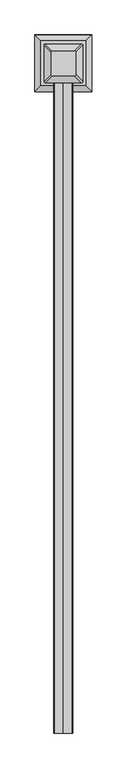
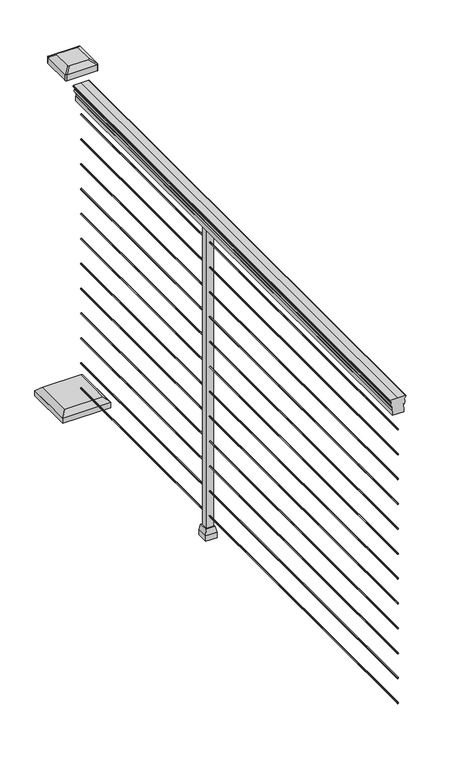
"""IFC4 building model written with IfcOpenShell, lengths in millimetres: railing geometry."""

from ifc_helpers import new_model, si_unit, point, frame, frame_2d, origin, origin_with_axes, place, context, project, spatial, polyline, circle_curve, trimmed, segment, composite_curve, outline, extrude, faceted_brep, source, transform, mapped, element, save
from ifc_brep_helpers import plane_surface, cylinder_surface, revolved_surface, extruded_surface, advanced_brep


def railing_d1816a97(model_context):
    return source(origin(), model_context, "Body", "SolidModel", [
        advanced_brep(
        [(33470.3652836, 27963.903577, 938.4043297), (33472.9391124, 27963.903577, 938.4043297), (33472.9391124, 27963.903577, 927.747013), (33471.9231124, 27963.903577, 926.731013), (33471.9231124, 27963.903577, 914.4), (33503.6731124, 27963.903577, 914.4), (33503.6731124, 27963.903577, 926.8888283), (33502.6571124, 27963.903577, 927.9048283), (33502.6571124, 27963.903577, 938.4043297), (33505.2309411, 27963.903577, 938.4043297), (33505.2309411, 27963.903577, 940.292412), (33506.3611274, 27963.903577, 941.8546695), (33506.3611274, 27963.903577, 949.0726458), (33505.711871, 27963.903577, 951.5060812), (33508.211871, 27963.903577, 955.8362083), (33509.6212135, 27963.903577, 957.5157972), (33510.0231125, 27963.903577, 958.6205318), (33510.0231124, 27963.903577, 959.9608158), (33508.4696651, 27963.903577, 961.514263), (33487.7981124, 27963.903577, 961.514263), (33467.1265596, 27963.903577, 961.514263), (33465.5731124, 27963.903577, 959.9608158), (33465.5731124, 27963.903577, 958.6205318), (33465.9750113, 27963.903577, 957.5157972), (33467.3843538, 27963.903577, 955.8362083), (33469.8843538, 27963.903577, 951.5060812), (33469.2350973, 27963.903577, 949.0726458), (33469.2350973, 27963.903577, 941.8546695), (33470.3652836, 27963.903577, 940.292412), (33470.3652836, 29487.903577, 938.4043297), (33470.3652836, 29487.903577, 940.292412), (33469.2350973, 29487.903577, 941.8546695), (33469.2350973, 29487.903577, 949.0726458), (33469.8843538, 29487.903577, 951.5060812), (33467.3843538, 29487.903577, 955.8362083), (33465.9750113, 29487.903577, 957.5157972), (33465.5731123, 29487.903577, 958.6205318), (33465.5731124, 29487.903577, 959.9608158), (33467.1265596, 29487.903577, 961.514263), (33487.7981124, 29487.903577, 961.514263), (33508.4696651, 29487.903577, 961.514263), (33510.0231124, 29487.903577, 959.9608158), (33510.0231124, 29487.903577, 958.6205318), (33509.6212135, 29487.903577, 957.5157972), (33508.211871, 29487.903577, 955.8362083), (33505.711871, 29487.903577, 951.5060812), (33506.3611274, 29487.903577, 949.0726458), (33506.3611274, 29487.903577, 941.8546695), (33505.2309411, 29487.903577, 940.292412), (33505.2309411, 29487.903577, 938.4043297), (33502.6571124, 29487.903577, 938.4043297), (33502.6571124, 29487.903577, 927.9048283), (33503.6731124, 29487.903577, 926.8888283), (33503.6731124, 29487.903577, 914.4), (33471.9231124, 29487.903577, 914.4), (33471.9231124, 29487.903577, 926.731013), (33472.9391124, 29487.903577, 927.747013), (33472.9391124, 29487.903577, 938.4043297)],
        [
            (0, 1, circle_curve(frame((33471.652198, 27963.903577, 938.4043297), z_axis=(0.0, -1.0, 0.0), x_axis=(1.0, 0.0, 0.0)), 1.2869144)),
            (1, 2),
            (2, 3),
            (3, 4),
            (4, 5),
            (5, 6),
            (6, 7),
            (7, 8),
            (8, 9, circle_curve(frame((33503.9440268, 27963.903577, 938.4043297), z_axis=(0.0, -1.0, 0.0), x_axis=(-1.0, 0.0, 0.0)), 1.2869144)),
            (9, 10),
            (10, 11, circle_curve(frame((33498.9161878, 27963.903577, 946.0506383), z_axis=(0.0, -1.0, 0.0), x_axis=(-1.0, 0.0, 0.0)), 8.545951)),
            (11, 12, circle_curve(frame((33499.3532508, 27963.903577, 945.4636577), z_axis=(0.0, -1.0, 0.0), x_axis=(-1.0, 0.0, 0.0)), 7.882584)),
            (12, 13, circle_curve(frame((33509.8665749, 27963.903577, 951.3112527), z_axis=(0.0, 1.0, 0.0), x_axis=(-1.0, 0.0, 0.0)), 4.1592695)),
            (13, 14, circle_curve(frame((33511.1538815, 27963.903577, 951.2508864), z_axis=(0.0, 1.0, 0.0), x_axis=(-1.0, 0.0, 0.0)), 5.4479907)),
            (14, 15, circle_curve(frame((33509.920723, 27963.903577, 955.833395), z_axis=(0.0, 1.0, 0.0), x_axis=(-1.0, 0.0, 0.0)), 1.7088543)),
            (15, 16, circle_curve(frame((33508.3038229, 27963.903577, 958.6205318), z_axis=(0.0, -1.0, 0.0), x_axis=(-1.0, 0.0, 0.0)), 1.7192895)),
            (16, 17),
            (17, 18, circle_curve(frame((33508.4696651, 27963.903577, 959.9608158), z_axis=(0.0, -1.0, 0.0), x_axis=(-1.0, 0.0, 0.0)), 1.5534472)),
            (18, 19),
            (19, 20),
            (20, 21, circle_curve(frame((33467.1265596, 27963.903577, 959.9608158), z_axis=(0.0, -1.0, 0.0), x_axis=(1.0, 0.0, 0.0)), 1.5534472)),
            (21, 22),
            (22, 23, circle_curve(frame((33467.2924018, 27963.903577, 958.6205318), z_axis=(0.0, -1.0, 0.0), x_axis=(1.0, 0.0, 0.0)), 1.7192895)),
            (23, 24, circle_curve(frame((33465.6755017, 27963.903577, 955.833395), z_axis=(0.0, 1.0, 0.0), x_axis=(1.0, 0.0, 0.0)), 1.7088543)),
            (24, 25, circle_curve(frame((33464.4423433, 27963.903577, 951.2508864), z_axis=(0.0, 1.0, 0.0), x_axis=(1.0, 0.0, 0.0)), 5.4479907)),
            (25, 26, circle_curve(frame((33465.7296498, 27963.903577, 951.3112527), z_axis=(0.0, 1.0, 0.0), x_axis=(1.0, 0.0, 0.0)), 4.1592695)),
            (26, 27, circle_curve(frame((33476.242974, 27963.903577, 945.4636577), z_axis=(0.0, -1.0, 0.0), x_axis=(1.0, 0.0, 0.0)), 7.882584)),
            (27, 28, circle_curve(frame((33476.6800369, 27963.903577, 946.0506383), z_axis=(0.0, -1.0, 0.0), x_axis=(1.0, 0.0, 0.0)), 8.545951)),
            (28, 0),
            (29, 30),
            (30, 31, circle_curve(frame((33476.6800369, 29487.903577, 946.0506383), z_axis=(0.0, 1.0, 0.0), x_axis=(1.0, 0.0, 0.0)), 8.545951)),
            (31, 32, circle_curve(frame((33476.242974, 29487.903577, 945.4636577), z_axis=(0.0, 1.0, 0.0), x_axis=(1.0, 0.0, 0.0)), 7.882584)),
            (32, 33, circle_curve(frame((33465.7296498, 29487.903577, 951.3112527), z_axis=(0.0, -1.0, 0.0), x_axis=(1.0, 0.0, 0.0)), 4.1592695)),
            (33, 34, circle_curve(frame((33464.4423433, 29487.903577, 951.2508864), z_axis=(0.0, -1.0, 0.0), x_axis=(1.0, 0.0, 0.0)), 5.4479907)),
            (34, 35, circle_curve(frame((33465.6755017, 29487.903577, 955.833395), z_axis=(0.0, -1.0, 0.0), x_axis=(1.0, 0.0, 0.0)), 1.7088543)),
            (35, 36, circle_curve(frame((33467.2924018, 29487.903577, 958.6205318), z_axis=(0.0, 1.0, 0.0), x_axis=(1.0, 0.0, 0.0)), 1.7192895)),
            (36, 37),
            (37, 38, circle_curve(frame((33467.1265596, 29487.903577, 959.9608158), z_axis=(0.0, 1.0, 0.0), x_axis=(1.0, 0.0, 0.0)), 1.5534472)),
            (38, 39),
            (39, 40),
            (40, 41, circle_curve(frame((33508.4696651, 29487.903577, 959.9608158), z_axis=(0.0, 1.0, 0.0), x_axis=(-1.0, 0.0, 0.0)), 1.5534472)),
            (41, 42),
            (42, 43, circle_curve(frame((33508.3038229, 29487.903577, 958.6205318), z_axis=(0.0, 1.0, 0.0), x_axis=(-1.0, 0.0, 0.0)), 1.7192895)),
            (43, 44, circle_curve(frame((33509.920723, 29487.903577, 955.833395), z_axis=(0.0, -1.0, 0.0), x_axis=(-1.0, 0.0, 0.0)), 1.7088543)),
            (44, 45, circle_curve(frame((33511.1538815, 29487.903577, 951.2508864), z_axis=(0.0, -1.0, 0.0), x_axis=(-1.0, 0.0, 0.0)), 5.4479907)),
            (45, 46, circle_curve(frame((33509.8665749, 29487.903577, 951.3112527), z_axis=(0.0, -1.0, 0.0), x_axis=(-1.0, 0.0, 0.0)), 4.1592695)),
            (46, 47, circle_curve(frame((33499.3532508, 29487.903577, 945.4636577), z_axis=(0.0, 1.0, 0.0), x_axis=(-1.0, 0.0, 0.0)), 7.882584)),
            (47, 48, circle_curve(frame((33498.9161878, 29487.903577, 946.0506383), z_axis=(0.0, 1.0, 0.0), x_axis=(-1.0, 0.0, 0.0)), 8.545951)),
            (48, 49),
            (49, 50, circle_curve(frame((33503.9440268, 29487.903577, 938.4043297), z_axis=(0.0, 1.0, 0.0), x_axis=(-1.0, 0.0, 0.0)), 1.2869144)),
            (50, 51),
            (51, 52),
            (52, 53),
            (53, 54),
            (54, 55),
            (55, 56),
            (56, 57),
            (57, 29, circle_curve(frame((33471.652198, 29487.903577, 938.4043297), z_axis=(0.0, 1.0, 0.0), x_axis=(1.0, 0.0, 0.0)), 1.2869144)),
            (0, 29),
            (57, 1),
            (56, 2),
            (55, 3),
            (54, 4),
            (53, 5),
            (52, 6),
            (51, 7),
            (50, 8),
            (49, 9),
            (48, 10),
            (47, 11),
            (46, 12),
            (45, 13),
            (44, 14),
            (43, 15),
            (42, 16),
            (41, 17),
            (40, 18),
            (39, 19),
            (38, 20),
            (37, 21),
            (36, 22),
            (35, 23),
            (34, 24),
            (33, 25),
            (32, 26),
            (31, 27),
            (30, 28),
        ],
        [
            plane_surface(frame((33487.7981124, 27963.903577, 914.4), z_axis=(0.0, -1.0, 0.0), x_axis=(0.0, 0.0, 1.0))),
            plane_surface(frame((33487.7981124, 29487.903577, 914.4), z_axis=(0.0, 1.0, 0.0), x_axis=(0.0, 0.0, 1.0))),
            cylinder_surface(frame((33471.652198, 27963.903577, 938.4043297), z_axis=(0.0, -1.0, 0.0), x_axis=(1.0, 0.0, 0.0)), 1.2869144),
            plane_surface(frame((33472.9391124, 27963.903577, 938.4043297), z_axis=(-1.0, 0.0, 0.0), x_axis=(0.0, 1.0, 0.0))),
            plane_surface(frame((33472.9391124, 27963.903577, 927.747013), z_axis=(-0.7071067811865395, 0.0, 0.7071067811865556), x_axis=(0.0, 1.0, 0.0))),
            plane_surface(frame((33471.9231124, 27963.903577, 926.731013), z_axis=(-1.0, 0.0, 0.0), x_axis=(0.0, 1.0, 0.0))),
            plane_surface(frame((33471.9231124, 27963.903577, 914.4), z_axis=(0.0, 0.0, -1.0), x_axis=(0.0, 1.0, 0.0))),
            plane_surface(frame((33503.6731124, 27963.903577, 914.4), z_axis=(1.0, 0.0, 0.0), x_axis=(0.0, 1.0, 0.0))),
            plane_surface(frame((33503.6731124, 27963.903577, 926.8888283), z_axis=(0.7071067811865432, 0.0, 0.707106781186552), x_axis=(0.0, 1.0, 0.0))),
            plane_surface(frame((33502.6571124, 27963.903577, 927.9048283), z_axis=(1.0, 0.0, 0.0), x_axis=(0.0, 1.0, 0.0))),
            cylinder_surface(frame((33503.9440268, 27963.903577, 938.4043297), z_axis=(0.0, -1.0, 0.0), x_axis=(-1.0, 0.0, 0.0)), 1.2869144),
            plane_surface(frame((33505.2309411, 27963.903577, 938.4043297), z_axis=(1.0, 0.0, 0.0), x_axis=(0.0, 1.0, 0.0))),
            cylinder_surface(frame((33498.9161878, 27963.903577, 946.0506383), z_axis=(0.0, -1.0, 0.0), x_axis=(-1.0, 0.0, 0.0)), 8.545951),
            cylinder_surface(frame((33499.3532508, 27963.903577, 945.4636577), z_axis=(0.0, -1.0, 0.0), x_axis=(-1.0, 0.0, 0.0)), 7.882584),
            revolved_surface(polyline([(33505.7073054, 29487.903577, 951.3112527), (33505.7073054, 27963.903577, 951.3112527)]), (33509.8665749, 27963.903577, 951.3112527), (0.0, 1.0, 0.0)),
            revolved_surface(polyline([(33505.7058908, 29487.903577, 951.2508864), (33505.7058908, 27963.903577, 951.2508864)]), (33511.1538815, 27963.903577, 951.2508864), (0.0, 1.0, 0.0)),
            revolved_surface(polyline([(33508.211868700004, 29487.903577, 955.833395), (33508.211868700004, 27963.903577, 955.833395)]), (33509.920723, 27963.903577, 955.833395), (0.0, 1.0, 0.0)),
            cylinder_surface(frame((33508.3038229, 27963.903577, 958.6205318), z_axis=(0.0, -1.0, 0.0), x_axis=(-1.0, 0.0, 0.0)), 1.7192895),
            plane_surface(frame((33510.0231124, 27963.903577, 958.6205318), z_axis=(1.0, 0.0, 0.0), x_axis=(0.0, 1.0, 0.0))),
            cylinder_surface(frame((33508.4696651, 27963.903577, 959.9608158), z_axis=(0.0, -1.0, 0.0), x_axis=(-1.0, 0.0, 0.0)), 1.5534472),
            plane_surface(frame((33508.4696651, 27963.903577, 961.514263), z_axis=(0.0, 0.0, 1.0), x_axis=(0.0, 1.0, 0.0))),
            plane_surface(frame((33487.7981124, 27963.903577, 961.514263), z_axis=(0.0, 0.0, 1.0), x_axis=(0.0, 1.0, 0.0))),
            cylinder_surface(frame((33467.1265596, 27963.903577, 959.9608158), z_axis=(0.0, -1.0, 0.0), x_axis=(1.0, 0.0, 0.0)), 1.5534472),
            plane_surface(frame((33465.5731124, 27963.903577, 959.9608158), z_axis=(-1.0, 0.0, 0.0), x_axis=(0.0, 1.0, 0.0))),
            cylinder_surface(frame((33467.2924018, 27963.903577, 958.6205318), z_axis=(0.0, -1.0, 0.0), x_axis=(1.0, 0.0, 0.0)), 1.7192895),
            revolved_surface(polyline([(33467.384356, 29487.903577, 955.833395), (33467.384356, 27963.903577, 955.833395)]), (33465.6755017, 27963.903577, 955.833395), (0.0, 1.0, 0.0)),
            revolved_surface(polyline([(33469.890333999996, 29487.903577, 951.2508864), (33469.890333999996, 27963.903577, 951.2508864)]), (33464.4423433, 27963.903577, 951.2508864), (0.0, 1.0, 0.0)),
            revolved_surface(polyline([(33469.8889193, 29487.903577, 951.3112527), (33469.8889193, 27963.903577, 951.3112527)]), (33465.7296498, 27963.903577, 951.3112527), (0.0, 1.0, 0.0)),
            cylinder_surface(frame((33476.242974, 27963.903577, 945.4636577), z_axis=(0.0, -1.0, 0.0), x_axis=(1.0, 0.0, 0.0)), 7.882584),
            cylinder_surface(frame((33476.6800369, 27963.903577, 946.0506383), z_axis=(0.0, -1.0, 0.0), x_axis=(1.0, 0.0, 0.0)), 8.545951),
            plane_surface(frame((33470.3652836, 27963.903577, 940.292412), z_axis=(-1.0, 0.0, 0.0), x_axis=(0.0, 1.0, 0.0))),
        ],
        [
            (0, [[1, 2, 3, 4, 5, 6, 7, 8, 9, 10, 11, 12, 13, 14, 15, 16, 17, 18, 19, 20, 21, 22, 23, 24, 25, 26, 27, 28, 29]]),
            (1, [[30, 31, 32, 33, 34, 35, 36, 37, 38, 39, 40, 41, 42, 43, 44, 45, 46, 47, 48, 49, 50, 51, 52, 53, 54, 55, 56, 57, 58]]),
            (2, [[-1, 59, -58, 60]]),
            (3, [[-2, -60, -57, 61]]),
            (4, [[-3, -61, -56, 62]]),
            (5, [[-4, -62, -55, 63]]),
            (6, [[-5, -63, -54, 64]]),
            (7, [[-6, -64, -53, 65]]),
            (8, [[-7, -65, -52, 66]]),
            (9, [[-8, -66, -51, 67]]),
            (10, [[-9, -67, -50, 68]]),
            (11, [[-10, -68, -49, 69]]),
            (12, [[-11, -69, -48, 70]]),
            (13, [[-12, -70, -47, 71]]),
            (14, [[-13, -71, -46, 72]]),
            (15, [[-14, -72, -45, 73]]),
            (16, [[-15, -73, -44, 74]]),
            (17, [[-16, -74, -43, 75]]),
            (18, [[-17, -75, -42, 76]]),
            (19, [[-18, -76, -41, 77]]),
            (20, [[-19, -77, -40, 78]]),
            (21, [[-20, -78, -39, 79]]),
            (22, [[-21, -79, -38, 80]]),
            (23, [[-22, -80, -37, 81]]),
            (24, [[-23, -81, -36, 82]]),
            (25, [[-24, -82, -35, 83]]),
            (26, [[-25, -83, -34, 84]]),
            (27, [[-26, -84, -33, 85]]),
            (28, [[-27, -85, -32, 86]]),
            (29, [[-28, -86, -31, 87]]),
            (30, [[-29, -87, -30, -59]]),
        ],
    ),
        advanced_brep(
        [(33489.3856124, 27963.903577, 65.024), (33487.7981124, 27963.903577, 66.6115), (33486.2106124, 27963.903577, 65.024), (33487.7981124, 27963.903577, 63.4365), (33489.3856124, 29487.903577, 65.024), (33487.7981124, 29487.903577, 63.4365), (33486.2106124, 29487.903577, 65.024), (33487.7981124, 29487.903577, 66.6115)],
        [
            (0, 1, circle_curve(frame((33487.7981124, 27963.903577, 65.024), z_axis=(0.0, -1.0, 0.0), x_axis=(1.0, 0.0, 0.0)), 1.5875)),
            (1, 2, circle_curve(frame((33487.7981124, 27963.903577, 65.024), z_axis=(0.0, -1.0, 0.0), x_axis=(1.0, 0.0, 0.0)), 1.5875)),
            (2, 3, circle_curve(frame((33487.7981124, 27963.903577, 65.024), z_axis=(0.0, -1.0, 0.0), x_axis=(1.0, 0.0, 0.0)), 1.5875)),
            (3, 0, circle_curve(frame((33487.7981124, 27963.903577, 65.024), z_axis=(0.0, -1.0, 0.0), x_axis=(1.0, 0.0, 0.0)), 1.5875)),
            (4, 5, circle_curve(frame((33487.7981124, 29487.903577, 65.024), z_axis=(0.0, 1.0, 0.0), x_axis=(1.0, 0.0, 0.0)), 1.5875)),
            (5, 6, circle_curve(frame((33487.7981124, 29487.903577, 65.024), z_axis=(0.0, 1.0, 0.0), x_axis=(1.0, 0.0, 0.0)), 1.5875)),
            (6, 7, circle_curve(frame((33487.7981124, 29487.903577, 65.024), z_axis=(0.0, 1.0, 0.0), x_axis=(1.0, 0.0, 0.0)), 1.5875)),
            (7, 4, circle_curve(frame((33487.7981124, 29487.903577, 65.024), z_axis=(0.0, 1.0, 0.0), x_axis=(1.0, 0.0, 0.0)), 1.5875)),
            (0, 4),
            (7, 1),
            (6, 2),
            (5, 3),
        ],
        [
            plane_surface(frame((33487.7981124, 27963.903577, 65.024), z_axis=(0.0, -1.0, 0.0), x_axis=(0.0, 0.0, 1.0))),
            plane_surface(frame((33487.7981124, 29487.903577, 65.024), z_axis=(0.0, 1.0, 0.0), x_axis=(0.0, 0.0, 1.0))),
            cylinder_surface(frame((33487.7981124, 27963.903577, 65.024), z_axis=(0.0, -1.0, 0.0), x_axis=(1.0, 0.0, 0.0)), 1.5875),
        ],
        [
            (0, [[1, 2, 3, 4]]),
            (1, [[5, 6, 7, 8]]),
            (2, [[-1, 9, -8, 10]]),
            (2, [[-2, -10, -7, 11]]),
            (2, [[-3, -11, -6, 12]]),
            (2, [[-4, -12, -5, -9]]),
        ],
    ),
        advanced_brep(
        [(33489.3856124, 27963.903577, 138.176), (33487.7981124, 27963.903577, 139.7635), (33486.2106124, 27963.903577, 138.176), (33487.7981124, 27963.903577, 136.5885), (33489.3856124, 29487.903577, 138.176), (33487.7981124, 29487.903577, 136.5885), (33486.2106124, 29487.903577, 138.176), (33487.7981124, 29487.903577, 139.7635)],
        [
            (0, 1, circle_curve(frame((33487.7981124, 27963.903577, 138.176), z_axis=(0.0, -1.0, 0.0), x_axis=(1.0, 0.0, 0.0)), 1.5875)),
            (1, 2, circle_curve(frame((33487.7981124, 27963.903577, 138.176), z_axis=(0.0, -1.0, 0.0), x_axis=(1.0, 0.0, 0.0)), 1.5875)),
            (2, 3, circle_curve(frame((33487.7981124, 27963.903577, 138.176), z_axis=(0.0, -1.0, 0.0), x_axis=(1.0, 0.0, 0.0)), 1.5875)),
            (3, 0, circle_curve(frame((33487.7981124, 27963.903577, 138.176), z_axis=(0.0, -1.0, 0.0), x_axis=(1.0, 0.0, 0.0)), 1.5875)),
            (4, 5, circle_curve(frame((33487.7981124, 29487.903577, 138.176), z_axis=(0.0, 1.0, 0.0), x_axis=(1.0, 0.0, 0.0)), 1.5875)),
            (5, 6, circle_curve(frame((33487.7981124, 29487.903577, 138.176), z_axis=(0.0, 1.0, 0.0), x_axis=(1.0, 0.0, 0.0)), 1.5875)),
            (6, 7, circle_curve(frame((33487.7981124, 29487.903577, 138.176), z_axis=(0.0, 1.0, 0.0), x_axis=(1.0, 0.0, 0.0)), 1.5875)),
            (7, 4, circle_curve(frame((33487.7981124, 29487.903577, 138.176), z_axis=(0.0, 1.0, 0.0), x_axis=(1.0, 0.0, 0.0)), 1.5875)),
            (0, 4),
            (7, 1),
            (6, 2),
            (5, 3),
        ],
        [
            plane_surface(frame((33487.7981124, 27963.903577, 138.176), z_axis=(0.0, -1.0, 0.0), x_axis=(0.0, 0.0, 1.0))),
            plane_surface(frame((33487.7981124, 29487.903577, 138.176), z_axis=(0.0, 1.0, 0.0), x_axis=(0.0, 0.0, 1.0))),
            cylinder_surface(frame((33487.7981124, 27963.903577, 138.176), z_axis=(0.0, -1.0, 0.0), x_axis=(1.0, 0.0, 0.0)), 1.5875),
        ],
        [
            (0, [[1, 2, 3, 4]]),
            (1, [[5, 6, 7, 8]]),
            (2, [[-1, 9, -8, 10]]),
            (2, [[-2, -10, -7, 11]]),
            (2, [[-3, -11, -6, 12]]),
            (2, [[-4, -12, -5, -9]]),
        ],
    ),
        advanced_brep(
        [(33489.3856124, 27963.903577, 211.074), (33487.7981124, 27963.903577, 212.6615), (33486.2106124, 27963.903577, 211.074), (33487.7981124, 27963.903577, 209.4865), (33489.3856124, 29487.903577, 211.074), (33487.7981124, 29487.903577, 209.4865), (33486.2106124, 29487.903577, 211.074), (33487.7981124, 29487.903577, 212.6615)],
        [
            (0, 1, circle_curve(frame((33487.7981124, 27963.903577, 211.074), z_axis=(0.0, -1.0, 0.0), x_axis=(1.0, 0.0, 0.0)), 1.5875)),
            (1, 2, circle_curve(frame((33487.7981124, 27963.903577, 211.074), z_axis=(0.0, -1.0, 0.0), x_axis=(1.0, 0.0, 0.0)), 1.5875)),
            (2, 3, circle_curve(frame((33487.7981124, 27963.903577, 211.074), z_axis=(0.0, -1.0, 0.0), x_axis=(1.0, 0.0, 0.0)), 1.5875)),
            (3, 0, circle_curve(frame((33487.7981124, 27963.903577, 211.074), z_axis=(0.0, -1.0, 0.0), x_axis=(1.0, 0.0, 0.0)), 1.5875)),
            (4, 5, circle_curve(frame((33487.7981124, 29487.903577, 211.074), z_axis=(0.0, 1.0, 0.0), x_axis=(1.0, 0.0, 0.0)), 1.5875)),
            (5, 6, circle_curve(frame((33487.7981124, 29487.903577, 211.074), z_axis=(0.0, 1.0, 0.0), x_axis=(1.0, 0.0, 0.0)), 1.5875)),
            (6, 7, circle_curve(frame((33487.7981124, 29487.903577, 211.074), z_axis=(0.0, 1.0, 0.0), x_axis=(1.0, 0.0, 0.0)), 1.5875)),
            (7, 4, circle_curve(frame((33487.7981124, 29487.903577, 211.074), z_axis=(0.0, 1.0, 0.0), x_axis=(1.0, 0.0, 0.0)), 1.5875)),
            (0, 4),
            (7, 1),
            (6, 2),
            (5, 3),
        ],
        [
            plane_surface(frame((33487.7981124, 27963.903577, 211.074), z_axis=(0.0, -1.0, 0.0), x_axis=(0.0, 0.0, 1.0))),
            plane_surface(frame((33487.7981124, 29487.903577, 211.074), z_axis=(0.0, 1.0, 0.0), x_axis=(0.0, 0.0, 1.0))),
            cylinder_surface(frame((33487.7981124, 27963.903577, 211.074), z_axis=(0.0, -1.0, 0.0), x_axis=(1.0, 0.0, 0.0)), 1.5875),
        ],
        [
            (0, [[1, 2, 3, 4]]),
            (1, [[5, 6, 7, 8]]),
            (2, [[-1, 9, -8, 10]]),
            (2, [[-2, -10, -7, 11]]),
            (2, [[-3, -11, -6, 12]]),
            (2, [[-4, -12, -5, -9]]),
        ],
    ),
        advanced_brep(
        [(33489.3856124, 27963.903577, 284.226), (33487.7981124, 27963.903577, 285.8135), (33486.2106124, 27963.903577, 284.226), (33487.7981124, 27963.903577, 282.6385), (33489.3856124, 29487.903577, 284.226), (33487.7981124, 29487.903577, 282.6385), (33486.2106124, 29487.903577, 284.226), (33487.7981124, 29487.903577, 285.8135)],
        [
            (0, 1, circle_curve(frame((33487.7981124, 27963.903577, 284.226), z_axis=(0.0, -1.0, 0.0), x_axis=(1.0, 0.0, 0.0)), 1.5875)),
            (1, 2, circle_curve(frame((33487.7981124, 27963.903577, 284.226), z_axis=(0.0, -1.0, 0.0), x_axis=(1.0, 0.0, 0.0)), 1.5875)),
            (2, 3, circle_curve(frame((33487.7981124, 27963.903577, 284.226), z_axis=(0.0, -1.0, 0.0), x_axis=(1.0, 0.0, 0.0)), 1.5875)),
            (3, 0, circle_curve(frame((33487.7981124, 27963.903577, 284.226), z_axis=(0.0, -1.0, 0.0), x_axis=(1.0, 0.0, 0.0)), 1.5875)),
            (4, 5, circle_curve(frame((33487.7981124, 29487.903577, 284.226), z_axis=(0.0, 1.0, 0.0), x_axis=(1.0, 0.0, 0.0)), 1.5875)),
            (5, 6, circle_curve(frame((33487.7981124, 29487.903577, 284.226), z_axis=(0.0, 1.0, 0.0), x_axis=(1.0, 0.0, 0.0)), 1.5875)),
            (6, 7, circle_curve(frame((33487.7981124, 29487.903577, 284.226), z_axis=(0.0, 1.0, 0.0), x_axis=(1.0, 0.0, 0.0)), 1.5875)),
            (7, 4, circle_curve(frame((33487.7981124, 29487.903577, 284.226), z_axis=(0.0, 1.0, 0.0), x_axis=(1.0, 0.0, 0.0)), 1.5875)),
            (0, 4),
            (7, 1),
            (6, 2),
            (5, 3),
        ],
        [
            plane_surface(frame((33487.7981124, 27963.903577, 284.226), z_axis=(0.0, -1.0, 0.0), x_axis=(0.0, 0.0, 1.0))),
            plane_surface(frame((33487.7981124, 29487.903577, 284.226), z_axis=(0.0, 1.0, 0.0), x_axis=(0.0, 0.0, 1.0))),
            cylinder_surface(frame((33487.7981124, 27963.903577, 284.226), z_axis=(0.0, -1.0, 0.0), x_axis=(1.0, 0.0, 0.0)), 1.5875),
        ],
        [
            (0, [[1, 2, 3, 4]]),
            (1, [[5, 6, 7, 8]]),
            (2, [[-1, 9, -8, 10]]),
            (2, [[-2, -10, -7, 11]]),
            (2, [[-3, -11, -6, 12]]),
            (2, [[-4, -12, -5, -9]]),
        ],
    ),
        advanced_brep(
        [(33489.3856124, 27963.903577, 357.124), (33487.7981124, 27963.903577, 358.7115), (33486.2106124, 27963.903577, 357.124), (33487.7981124, 27963.903577, 355.5365), (33489.3856124, 29487.903577, 357.124), (33487.7981124, 29487.903577, 355.5365), (33486.2106124, 29487.903577, 357.124), (33487.7981124, 29487.903577, 358.7115)],
        [
            (0, 1, circle_curve(frame((33487.7981124, 27963.903577, 357.124), z_axis=(0.0, -1.0, 0.0), x_axis=(1.0, 0.0, 0.0)), 1.5875)),
            (1, 2, circle_curve(frame((33487.7981124, 27963.903577, 357.124), z_axis=(0.0, -1.0, 0.0), x_axis=(1.0, 0.0, 0.0)), 1.5875)),
            (2, 3, circle_curve(frame((33487.7981124, 27963.903577, 357.124), z_axis=(0.0, -1.0, 0.0), x_axis=(1.0, 0.0, 0.0)), 1.5875)),
            (3, 0, circle_curve(frame((33487.7981124, 27963.903577, 357.124), z_axis=(0.0, -1.0, 0.0), x_axis=(1.0, 0.0, 0.0)), 1.5875)),
            (4, 5, circle_curve(frame((33487.7981124, 29487.903577, 357.124), z_axis=(0.0, 1.0, 0.0), x_axis=(1.0, 0.0, 0.0)), 1.5875)),
            (5, 6, circle_curve(frame((33487.7981124, 29487.903577, 357.124), z_axis=(0.0, 1.0, 0.0), x_axis=(1.0, 0.0, 0.0)), 1.5875)),
            (6, 7, circle_curve(frame((33487.7981124, 29487.903577, 357.124), z_axis=(0.0, 1.0, 0.0), x_axis=(1.0, 0.0, 0.0)), 1.5875)),
            (7, 4, circle_curve(frame((33487.7981124, 29487.903577, 357.124), z_axis=(0.0, 1.0, 0.0), x_axis=(1.0, 0.0, 0.0)), 1.5875)),
            (0, 4),
            (7, 1),
            (6, 2),
            (5, 3),
        ],
        [
            plane_surface(frame((33487.7981124, 27963.903577, 357.124), z_axis=(0.0, -1.0, 0.0), x_axis=(0.0, 0.0, 1.0))),
            plane_surface(frame((33487.7981124, 29487.903577, 357.124), z_axis=(0.0, 1.0, 0.0), x_axis=(0.0, 0.0, 1.0))),
            cylinder_surface(frame((33487.7981124, 27963.903577, 357.124), z_axis=(0.0, -1.0, 0.0), x_axis=(1.0, 0.0, 0.0)), 1.5875),
        ],
        [
            (0, [[1, 2, 3, 4]]),
            (1, [[5, 6, 7, 8]]),
            (2, [[-1, 9, -8, 10]]),
            (2, [[-2, -10, -7, 11]]),
            (2, [[-3, -11, -6, 12]]),
            (2, [[-4, -12, -5, -9]]),
        ],
    ),
        advanced_brep(
        [(33489.3856124, 27963.903577, 430.276), (33487.7981124, 27963.903577, 431.8635), (33486.2106124, 27963.903577, 430.276), (33487.7981124, 27963.903577, 428.6885), (33489.3856124, 29487.903577, 430.276), (33487.7981124, 29487.903577, 428.6885), (33486.2106124, 29487.903577, 430.276), (33487.7981124, 29487.903577, 431.8635)],
        [
            (0, 1, circle_curve(frame((33487.7981124, 27963.903577, 430.276), z_axis=(0.0, -1.0, 0.0), x_axis=(1.0, 0.0, 0.0)), 1.5875)),
            (1, 2, circle_curve(frame((33487.7981124, 27963.903577, 430.276), z_axis=(0.0, -1.0, 0.0), x_axis=(1.0, 0.0, 0.0)), 1.5875)),
            (2, 3, circle_curve(frame((33487.7981124, 27963.903577, 430.276), z_axis=(0.0, -1.0, 0.0), x_axis=(1.0, 0.0, 0.0)), 1.5875)),
            (3, 0, circle_curve(frame((33487.7981124, 27963.903577, 430.276), z_axis=(0.0, -1.0, 0.0), x_axis=(1.0, 0.0, 0.0)), 1.5875)),
            (4, 5, circle_curve(frame((33487.7981124, 29487.903577, 430.276), z_axis=(0.0, 1.0, 0.0), x_axis=(1.0, 0.0, 0.0)), 1.5875)),
            (5, 6, circle_curve(frame((33487.7981124, 29487.903577, 430.276), z_axis=(0.0, 1.0, 0.0), x_axis=(1.0, 0.0, 0.0)), 1.5875)),
            (6, 7, circle_curve(frame((33487.7981124, 29487.903577, 430.276), z_axis=(0.0, 1.0, 0.0), x_axis=(1.0, 0.0, 0.0)), 1.5875)),
            (7, 4, circle_curve(frame((33487.7981124, 29487.903577, 430.276), z_axis=(0.0, 1.0, 0.0), x_axis=(1.0, 0.0, 0.0)), 1.5875)),
            (0, 4),
            (7, 1),
            (6, 2),
            (5, 3),
        ],
        [
            plane_surface(frame((33487.7981124, 27963.903577, 430.276), z_axis=(0.0, -1.0, 0.0), x_axis=(0.0, 0.0, 1.0))),
            plane_surface(frame((33487.7981124, 29487.903577, 430.276), z_axis=(0.0, 1.0, 0.0), x_axis=(0.0, 0.0, 1.0))),
            cylinder_surface(frame((33487.7981124, 27963.903577, 430.276), z_axis=(0.0, -1.0, 0.0), x_axis=(1.0, 0.0, 0.0)), 1.5875),
        ],
        [
            (0, [[1, 2, 3, 4]]),
            (1, [[5, 6, 7, 8]]),
            (2, [[-1, 9, -8, 10]]),
            (2, [[-2, -10, -7, 11]]),
            (2, [[-3, -11, -6, 12]]),
            (2, [[-4, -12, -5, -9]]),
        ],
    ),
        advanced_brep(
        [(33489.3856124, 27963.903577, 503.174), (33487.7981124, 27963.903577, 504.7615), (33486.2106124, 27963.903577, 503.174), (33487.7981124, 27963.903577, 501.5865), (33489.3856124, 29487.903577, 503.174), (33487.7981124, 29487.903577, 501.5865), (33486.2106124, 29487.903577, 503.174), (33487.7981124, 29487.903577, 504.7615)],
        [
            (0, 1, circle_curve(frame((33487.7981124, 27963.903577, 503.174), z_axis=(0.0, -1.0, 0.0), x_axis=(1.0, 0.0, 0.0)), 1.5875)),
            (1, 2, circle_curve(frame((33487.7981124, 27963.903577, 503.174), z_axis=(0.0, -1.0, 0.0), x_axis=(1.0, 0.0, 0.0)), 1.5875)),
            (2, 3, circle_curve(frame((33487.7981124, 27963.903577, 503.174), z_axis=(0.0, -1.0, 0.0), x_axis=(1.0, 0.0, 0.0)), 1.5875)),
            (3, 0, circle_curve(frame((33487.7981124, 27963.903577, 503.174), z_axis=(0.0, -1.0, 0.0), x_axis=(1.0, 0.0, 0.0)), 1.5875)),
            (4, 5, circle_curve(frame((33487.7981124, 29487.903577, 503.174), z_axis=(0.0, 1.0, 0.0), x_axis=(1.0, 0.0, 0.0)), 1.5875)),
            (5, 6, circle_curve(frame((33487.7981124, 29487.903577, 503.174), z_axis=(0.0, 1.0, 0.0), x_axis=(1.0, 0.0, 0.0)), 1.5875)),
            (6, 7, circle_curve(frame((33487.7981124, 29487.903577, 503.174), z_axis=(0.0, 1.0, 0.0), x_axis=(1.0, 0.0, 0.0)), 1.5875)),
            (7, 4, circle_curve(frame((33487.7981124, 29487.903577, 503.174), z_axis=(0.0, 1.0, 0.0), x_axis=(1.0, 0.0, 0.0)), 1.5875)),
            (0, 4),
            (7, 1),
            (6, 2),
            (5, 3),
        ],
        [
            plane_surface(frame((33487.7981124, 27963.903577, 503.174), z_axis=(0.0, -1.0, 0.0), x_axis=(0.0, 0.0, 1.0))),
            plane_surface(frame((33487.7981124, 29487.903577, 503.174), z_axis=(0.0, 1.0, 0.0), x_axis=(0.0, 0.0, 1.0))),
            cylinder_surface(frame((33487.7981124, 27963.903577, 503.174), z_axis=(0.0, -1.0, 0.0), x_axis=(1.0, 0.0, 0.0)), 1.5875),
        ],
        [
            (0, [[1, 2, 3, 4]]),
            (1, [[5, 6, 7, 8]]),
            (2, [[-1, 9, -8, 10]]),
            (2, [[-2, -10, -7, 11]]),
            (2, [[-3, -11, -6, 12]]),
            (2, [[-4, -12, -5, -9]]),
        ],
    ),
        advanced_brep(
        [(33489.3856124, 27963.903577, 576.326), (33487.7981124, 27963.903577, 577.9135), (33486.2106124, 27963.903577, 576.326), (33487.7981124, 27963.903577, 574.7385), (33489.3856124, 29487.903577, 576.326), (33487.7981124, 29487.903577, 574.7385), (33486.2106124, 29487.903577, 576.326), (33487.7981124, 29487.903577, 577.9135)],
        [
            (0, 1, circle_curve(frame((33487.7981124, 27963.903577, 576.326), z_axis=(0.0, -1.0, 0.0), x_axis=(1.0, 0.0, 0.0)), 1.5875)),
            (1, 2, circle_curve(frame((33487.7981124, 27963.903577, 576.326), z_axis=(0.0, -1.0, 0.0), x_axis=(1.0, 0.0, 0.0)), 1.5875)),
            (2, 3, circle_curve(frame((33487.7981124, 27963.903577, 576.326), z_axis=(0.0, -1.0, 0.0), x_axis=(1.0, 0.0, 0.0)), 1.5875)),
            (3, 0, circle_curve(frame((33487.7981124, 27963.903577, 576.326), z_axis=(0.0, -1.0, 0.0), x_axis=(1.0, 0.0, 0.0)), 1.5875)),
            (4, 5, circle_curve(frame((33487.7981124, 29487.903577, 576.326), z_axis=(0.0, 1.0, 0.0), x_axis=(1.0, 0.0, 0.0)), 1.5875)),
            (5, 6, circle_curve(frame((33487.7981124, 29487.903577, 576.326), z_axis=(0.0, 1.0, 0.0), x_axis=(1.0, 0.0, 0.0)), 1.5875)),
            (6, 7, circle_curve(frame((33487.7981124, 29487.903577, 576.326), z_axis=(0.0, 1.0, 0.0), x_axis=(1.0, 0.0, 0.0)), 1.5875)),
            (7, 4, circle_curve(frame((33487.7981124, 29487.903577, 576.326), z_axis=(0.0, 1.0, 0.0), x_axis=(1.0, 0.0, 0.0)), 1.5875)),
            (0, 4),
            (7, 1),
            (6, 2),
            (5, 3),
        ],
        [
            plane_surface(frame((33487.7981124, 27963.903577, 576.326), z_axis=(0.0, -1.0, 0.0), x_axis=(0.0, 0.0, 1.0))),
            plane_surface(frame((33487.7981124, 29487.903577, 576.326), z_axis=(0.0, 1.0, 0.0), x_axis=(0.0, 0.0, 1.0))),
            cylinder_surface(frame((33487.7981124, 27963.903577, 576.326), z_axis=(0.0, -1.0, 0.0), x_axis=(1.0, 0.0, 0.0)), 1.5875),
        ],
        [
            (0, [[1, 2, 3, 4]]),
            (1, [[5, 6, 7, 8]]),
            (2, [[-1, 9, -8, 10]]),
            (2, [[-2, -10, -7, 11]]),
            (2, [[-3, -11, -6, 12]]),
            (2, [[-4, -12, -5, -9]]),
        ],
    ),
        advanced_brep(
        [(33489.3856124, 27963.903577, 649.224), (33487.7981124, 27963.903577, 650.8115), (33486.2106124, 27963.903577, 649.224), (33487.7981124, 27963.903577, 647.6365), (33489.3856124, 29487.903577, 649.224), (33487.7981124, 29487.903577, 647.6365), (33486.2106124, 29487.903577, 649.224), (33487.7981124, 29487.903577, 650.8115)],
        [
            (0, 1, circle_curve(frame((33487.7981124, 27963.903577, 649.224), z_axis=(0.0, -1.0, 0.0), x_axis=(1.0, 0.0, 0.0)), 1.5875)),
            (1, 2, circle_curve(frame((33487.7981124, 27963.903577, 649.224), z_axis=(0.0, -1.0, 0.0), x_axis=(1.0, 0.0, 0.0)), 1.5875)),
            (2, 3, circle_curve(frame((33487.7981124, 27963.903577, 649.224), z_axis=(0.0, -1.0, 0.0), x_axis=(1.0, 0.0, 0.0)), 1.5875)),
            (3, 0, circle_curve(frame((33487.7981124, 27963.903577, 649.224), z_axis=(0.0, -1.0, 0.0), x_axis=(1.0, 0.0, 0.0)), 1.5875)),
            (4, 5, circle_curve(frame((33487.7981124, 29487.903577, 649.224), z_axis=(0.0, 1.0, 0.0), x_axis=(1.0, 0.0, 0.0)), 1.5875)),
            (5, 6, circle_curve(frame((33487.7981124, 29487.903577, 649.224), z_axis=(0.0, 1.0, 0.0), x_axis=(1.0, 0.0, 0.0)), 1.5875)),
            (6, 7, circle_curve(frame((33487.7981124, 29487.903577, 649.224), z_axis=(0.0, 1.0, 0.0), x_axis=(1.0, 0.0, 0.0)), 1.5875)),
            (7, 4, circle_curve(frame((33487.7981124, 29487.903577, 649.224), z_axis=(0.0, 1.0, 0.0), x_axis=(1.0, 0.0, 0.0)), 1.5875)),
            (0, 4),
            (7, 1),
            (6, 2),
            (5, 3),
        ],
        [
            plane_surface(frame((33487.7981124, 27963.903577, 649.224), z_axis=(0.0, -1.0, 0.0), x_axis=(0.0, 0.0, 1.0))),
            plane_surface(frame((33487.7981124, 29487.903577, 649.224), z_axis=(0.0, 1.0, 0.0), x_axis=(0.0, 0.0, 1.0))),
            cylinder_surface(frame((33487.7981124, 27963.903577, 649.224), z_axis=(0.0, -1.0, 0.0), x_axis=(1.0, 0.0, 0.0)), 1.5875),
        ],
        [
            (0, [[1, 2, 3, 4]]),
            (1, [[5, 6, 7, 8]]),
            (2, [[-1, 9, -8, 10]]),
            (2, [[-2, -10, -7, 11]]),
            (2, [[-3, -11, -6, 12]]),
            (2, [[-4, -12, -5, -9]]),
        ],
    ),
        advanced_brep(
        [(33489.3856124, 27963.903577, 722.376), (33487.7981124, 27963.903577, 723.9635), (33486.2106124, 27963.903577, 722.376), (33487.7981124, 27963.903577, 720.7885), (33489.3856124, 29487.903577, 722.376), (33487.7981124, 29487.903577, 720.7885), (33486.2106124, 29487.903577, 722.376), (33487.7981124, 29487.903577, 723.9635)],
        [
            (0, 1, circle_curve(frame((33487.7981124, 27963.903577, 722.376), z_axis=(0.0, -1.0, 0.0), x_axis=(1.0, 0.0, 0.0)), 1.5875)),
            (1, 2, circle_curve(frame((33487.7981124, 27963.903577, 722.376), z_axis=(0.0, -1.0, 0.0), x_axis=(1.0, 0.0, 0.0)), 1.5875)),
            (2, 3, circle_curve(frame((33487.7981124, 27963.903577, 722.376), z_axis=(0.0, -1.0, 0.0), x_axis=(1.0, 0.0, 0.0)), 1.5875)),
            (3, 0, circle_curve(frame((33487.7981124, 27963.903577, 722.376), z_axis=(0.0, -1.0, 0.0), x_axis=(1.0, 0.0, 0.0)), 1.5875)),
            (4, 5, circle_curve(frame((33487.7981124, 29487.903577, 722.376), z_axis=(0.0, 1.0, 0.0), x_axis=(1.0, 0.0, 0.0)), 1.5875)),
            (5, 6, circle_curve(frame((33487.7981124, 29487.903577, 722.376), z_axis=(0.0, 1.0, 0.0), x_axis=(1.0, 0.0, 0.0)), 1.5875)),
            (6, 7, circle_curve(frame((33487.7981124, 29487.903577, 722.376), z_axis=(0.0, 1.0, 0.0), x_axis=(1.0, 0.0, 0.0)), 1.5875)),
            (7, 4, circle_curve(frame((33487.7981124, 29487.903577, 722.376), z_axis=(0.0, 1.0, 0.0), x_axis=(1.0, 0.0, 0.0)), 1.5875)),
            (0, 4),
            (7, 1),
            (6, 2),
            (5, 3),
        ],
        [
            plane_surface(frame((33487.7981124, 27963.903577, 722.376), z_axis=(0.0, -1.0, 0.0), x_axis=(0.0, 0.0, 1.0))),
            plane_surface(frame((33487.7981124, 29487.903577, 722.376), z_axis=(0.0, 1.0, 0.0), x_axis=(0.0, 0.0, 1.0))),
            cylinder_surface(frame((33487.7981124, 27963.903577, 722.376), z_axis=(0.0, -1.0, 0.0), x_axis=(1.0, 0.0, 0.0)), 1.5875),
        ],
        [
            (0, [[1, 2, 3, 4]]),
            (1, [[5, 6, 7, 8]]),
            (2, [[-1, 9, -8, 10]]),
            (2, [[-2, -10, -7, 11]]),
            (2, [[-3, -11, -6, 12]]),
            (2, [[-4, -12, -5, -9]]),
        ],
    ),
        advanced_brep(
        [(33489.3856124, 27963.903577, 795.274), (33487.7981124, 27963.903577, 796.8615), (33486.2106124, 27963.903577, 795.274), (33487.7981124, 27963.903577, 793.6865), (33489.3856124, 29487.903577, 795.274), (33487.7981124, 29487.903577, 793.6865), (33486.2106124, 29487.903577, 795.274), (33487.7981124, 29487.903577, 796.8615)],
        [
            (0, 1, circle_curve(frame((33487.7981124, 27963.903577, 795.274), z_axis=(0.0, -1.0, 0.0), x_axis=(1.0, 0.0, 0.0)), 1.5875)),
            (1, 2, circle_curve(frame((33487.7981124, 27963.903577, 795.274), z_axis=(0.0, -1.0, 0.0), x_axis=(1.0, 0.0, 0.0)), 1.5875)),
            (2, 3, circle_curve(frame((33487.7981124, 27963.903577, 795.274), z_axis=(0.0, -1.0, 0.0), x_axis=(1.0, 0.0, 0.0)), 1.5875)),
            (3, 0, circle_curve(frame((33487.7981124, 27963.903577, 795.274), z_axis=(0.0, -1.0, 0.0), x_axis=(1.0, 0.0, 0.0)), 1.5875)),
            (4, 5, circle_curve(frame((33487.7981124, 29487.903577, 795.274), z_axis=(0.0, 1.0, 0.0), x_axis=(1.0, 0.0, 0.0)), 1.5875)),
            (5, 6, circle_curve(frame((33487.7981124, 29487.903577, 795.274), z_axis=(0.0, 1.0, 0.0), x_axis=(1.0, 0.0, 0.0)), 1.5875)),
            (6, 7, circle_curve(frame((33487.7981124, 29487.903577, 795.274), z_axis=(0.0, 1.0, 0.0), x_axis=(1.0, 0.0, 0.0)), 1.5875)),
            (7, 4, circle_curve(frame((33487.7981124, 29487.903577, 795.274), z_axis=(0.0, 1.0, 0.0), x_axis=(1.0, 0.0, 0.0)), 1.5875)),
            (0, 4),
            (7, 1),
            (6, 2),
            (5, 3),
        ],
        [
            plane_surface(frame((33487.7981124, 27963.903577, 795.274), z_axis=(0.0, -1.0, 0.0), x_axis=(0.0, 0.0, 1.0))),
            plane_surface(frame((33487.7981124, 29487.903577, 795.274), z_axis=(0.0, 1.0, 0.0), x_axis=(0.0, 0.0, 1.0))),
            cylinder_surface(frame((33487.7981124, 27963.903577, 795.274), z_axis=(0.0, -1.0, 0.0), x_axis=(1.0, 0.0, 0.0)), 1.5875),
        ],
        [
            (0, [[1, 2, 3, 4]]),
            (1, [[5, 6, 7, 8]]),
            (2, [[-1, 9, -8, 10]]),
            (2, [[-2, -10, -7, 11]]),
            (2, [[-3, -11, -6, 12]]),
            (2, [[-4, -12, -5, -9]]),
        ],
    ),
        advanced_brep(
        [(33489.3856124, 27963.903577, 868.426), (33487.7981124, 27963.903577, 870.0135), (33486.2106124, 27963.903577, 868.426), (33487.7981124, 27963.903577, 866.8385), (33489.3856124, 29487.903577, 868.426), (33487.7981124, 29487.903577, 866.8385), (33486.2106124, 29487.903577, 868.426), (33487.7981124, 29487.903577, 870.0135)],
        [
            (0, 1, circle_curve(frame((33487.7981124, 27963.903577, 868.426), z_axis=(0.0, -1.0, 0.0), x_axis=(1.0, 0.0, 0.0)), 1.5875)),
            (1, 2, circle_curve(frame((33487.7981124, 27963.903577, 868.426), z_axis=(0.0, -1.0, 0.0), x_axis=(1.0, 0.0, 0.0)), 1.5875)),
            (2, 3, circle_curve(frame((33487.7981124, 27963.903577, 868.426), z_axis=(0.0, -1.0, 0.0), x_axis=(1.0, 0.0, 0.0)), 1.5875)),
            (3, 0, circle_curve(frame((33487.7981124, 27963.903577, 868.426), z_axis=(0.0, -1.0, 0.0), x_axis=(1.0, 0.0, 0.0)), 1.5875)),
            (4, 5, circle_curve(frame((33487.7981124, 29487.903577, 868.426), z_axis=(0.0, 1.0, 0.0), x_axis=(1.0, 0.0, 0.0)), 1.5875)),
            (5, 6, circle_curve(frame((33487.7981124, 29487.903577, 868.426), z_axis=(0.0, 1.0, 0.0), x_axis=(1.0, 0.0, 0.0)), 1.5875)),
            (6, 7, circle_curve(frame((33487.7981124, 29487.903577, 868.426), z_axis=(0.0, 1.0, 0.0), x_axis=(1.0, 0.0, 0.0)), 1.5875)),
            (7, 4, circle_curve(frame((33487.7981124, 29487.903577, 868.426), z_axis=(0.0, 1.0, 0.0), x_axis=(1.0, 0.0, 0.0)), 1.5875)),
            (0, 4),
            (7, 1),
            (6, 2),
            (5, 3),
        ],
        [
            plane_surface(frame((33487.7981124, 27963.903577, 868.426), z_axis=(0.0, -1.0, 0.0), x_axis=(0.0, 0.0, 1.0))),
            plane_surface(frame((33487.7981124, 29487.903577, 868.426), z_axis=(0.0, 1.0, 0.0), x_axis=(0.0, 0.0, 1.0))),
            cylinder_surface(frame((33487.7981124, 27963.903577, 868.426), z_axis=(0.0, -1.0, 0.0), x_axis=(1.0, 0.0, 0.0)), 1.5875),
        ],
        [
            (0, [[1, 2, 3, 4]]),
            (1, [[5, 6, 7, 8]]),
            (2, [[-1, 9, -8, 10]]),
            (2, [[-2, -10, -7, 11]]),
            (2, [[-3, -11, -6, 12]]),
            (2, [[-4, -12, -5, -9]]),
        ],
    ),
        faceted_brep([(33475.0981124, 28865.603577, 32.1497081), (33500.4981124, 28865.603577, 32.1497081), (33500.4981124, 28891.003577, 32.1497081), (33475.0981124, 28891.003577, 32.1497081), (33471.9231124, 28862.428577, 16.2747081), (33471.9231124, 28894.178577, 16.2747081), (33503.6731124, 28894.178577, 16.2747081), (33503.6731124, 28862.428577, 16.2747081)], [[[0, 1, 2, 3]], [[4, 5, 6, 7]], [[4, 7, 1, 0]], [[7, 6, 2, 1]], [[6, 5, 3, 2]], [[5, 4, 0, 3]]]),
        extrude(outline(polyline([(33471.9231124, 28862.428577), (33471.9231124, 28894.178577), (33503.6731124, 28894.178577), (33503.6731124, 28862.428577), (33471.9231124, 28862.428577)])), origin_with_axes(), (0.0, 0.0, 1.0), 16.2747081),
        extrude(outline(polyline([(33478.2731124, 28868.778577), (33478.2731124, 28887.828577), (33497.3231124, 28887.828577), (33497.3231124, 28868.778577), (33478.2731124, 28868.778577)])), origin_with_axes(), (0.0, 0.0, 1.0), 914.4),
        faceted_brep([(33435.2121749, 29476.7196395, 28.575), (33540.3840499, 29476.7196395, 28.575), (33540.3840499, 29581.8915145, 28.575), (33435.2121749, 29581.8915145, 28.575), (33421.1727218, 29462.6801863, 15.24), (33421.1727218, 29595.9309676, 15.24), (33554.423503, 29595.9309676, 15.24), (33554.423503, 29462.6801863, 15.24)], [[[0, 1, 2, 3]], [[4, 5, 6, 7]], [[4, 7, 1, 0]], [[7, 6, 2, 1]], [[6, 5, 3, 2]], [[5, 4, 0, 3]]]),
        extrude(outline(polyline([(33421.1727218, 29462.6801863), (33421.1727218, 29595.9309676), (33554.423503, 29595.9309676), (33554.423503, 29462.6801863), (33421.1727218, 29462.6801863)])), origin_with_axes(), (0.0, 0.0, 1.0), 15.24),
        advanced_brep(
        [(33513.5949874, 29500.333702, 1012.825), (33516.7699874, 29503.508702, 1012.825), (33516.7699874, 29555.102452, 1012.825), (33513.5949874, 29558.277452, 1012.825), (33462.0012374, 29558.277452, 1012.825), (33458.8262374, 29555.102452, 1012.825), (33458.8262374, 29503.508702, 1012.825), (33462.0012374, 29500.333702, 1012.825), (33529.8668624, 29484.061827, 1001.522), (33445.7293624, 29484.061827, 1001.522), (33442.5543624, 29487.236827, 1001.522), (33442.5543624, 29571.374327, 1001.522), (33445.7293624, 29574.549327, 1001.522), (33529.8668624, 29574.549327, 1001.522), (33533.0418624, 29571.374327, 1001.522), (33533.0418624, 29487.236827, 1001.522)],
        [
            (0, 1, circle_curve(frame((33513.5949874, 29503.508702, 1012.825), z_axis=(0.0, 0.0, 1.0), x_axis=(0.0, 1.0, 0.0)), 3.175)),
            (1, 2),
            (2, 3, circle_curve(frame((33513.5949874, 29555.102452, 1012.825), z_axis=(0.0, 0.0, 1.0), x_axis=(0.0, 1.0, 0.0)), 3.175)),
            (3, 4),
            (4, 5, circle_curve(frame((33462.0012374, 29555.102452, 1012.825), z_axis=(0.0, 0.0, 1.0), x_axis=(0.0, 1.0, 0.0)), 3.175)),
            (5, 6),
            (6, 7, circle_curve(frame((33462.0012374, 29503.508702, 1012.825), z_axis=(0.0, 0.0, 1.0), x_axis=(0.0, 1.0, 0.0)), 3.175)),
            (7, 0),
            (8, 9),
            (9, 10, circle_curve(frame((33445.7293624, 29487.236827, 1001.522), z_axis=(0.0, 0.0, -1.0), x_axis=(0.0, 1.0, 0.0)), 3.175)),
            (10, 11),
            (11, 12, circle_curve(frame((33445.7293624, 29571.374327, 1001.522), z_axis=(0.0, 0.0, -1.0), x_axis=(0.0, 1.0, 0.0)), 3.175)),
            (12, 13),
            (13, 14, circle_curve(frame((33529.8668624, 29571.374327, 1001.522), z_axis=(0.0, 0.0, -1.0), x_axis=(0.0, 1.0, 0.0)), 3.175)),
            (14, 15),
            (15, 8, circle_curve(frame((33529.8668624, 29487.236827, 1001.522), z_axis=(0.0, 0.0, -1.0), x_axis=(0.0, 1.0, 0.0)), 3.175)),
            (15, 1),
            (0, 8),
            (14, 2),
            (13, 3),
            (12, 4),
            (11, 5),
            (10, 6),
            (9, 7),
        ],
        [
            plane_surface(frame((33487.7981124, 29529.305577, 1012.825), z_axis=(0.0, 0.0, 1.0), x_axis=(1.0, 0.0, 0.0))),
            plane_surface(frame((33487.7981124, 29529.305577, 1001.522), z_axis=(0.0, 0.0, -1.0), x_axis=(1.0, 0.0, 0.0))),
            extruded_surface(trimmed(circle_curve(frame((33529.8668624, 29487.236827, 1001.522), z_axis=(0.0, 0.0, 1.0), x_axis=(0.0, 1.0, 0.0)), 3.175), [point((33529.8668624, 29484.061827, 1001.522))], [point((33533.0418624, 29487.236827, 1001.522))], True, "CARTESIAN"), (-16.271874999998545, 16.271874999998545, 11.302999999999997), 25.637972638864316),
            plane_surface(frame((33533.0418624, 29529.305577, 1001.522), z_axis=(0.5705009161540779, 0.0, 0.8212969649690408), x_axis=(0.0, 1.0, 0.0))),
            extruded_surface(trimmed(circle_curve(frame((33529.8668624, 29571.374327, 1001.522), z_axis=(0.0, 0.0, 1.0), x_axis=(0.0, 1.0, 0.0)), 3.175), [point((33533.0418624, 29571.374327, 1001.522))], [point((33529.8668624, 29574.549327, 1001.522))], True, "CARTESIAN"), (-16.271874999998545, -16.271875000002183, 11.302999999999997), 25.63797263886662),
            plane_surface(frame((33487.7981124, 29574.549327, 1001.522), z_axis=(0.0, 0.5705009161540291, 0.8212969649690747), x_axis=(-1.0, 0.0, 0.0))),
            extruded_surface(trimmed(circle_curve(frame((33445.7293624, 29571.374327, 1001.522), z_axis=(0.0, 0.0, 1.0), x_axis=(0.0, 1.0, 0.0)), 3.175), [point((33445.7293624, 29574.549327, 1001.522))], [point((33442.5543624, 29571.374327, 1001.522))], True, "CARTESIAN"), (16.271874999998545, -16.271875000002183, 11.302999999999997), 25.63797263886662),
            plane_surface(frame((33442.5543624, 29529.305577, 1001.522), z_axis=(-0.5705009161540141, 0.0, 0.8212969649690851), x_axis=(0.0, -1.0, 0.0))),
            extruded_surface(trimmed(circle_curve(frame((33445.7293624, 29487.236827, 1001.522), z_axis=(0.0, 0.0, 1.0), x_axis=(0.0, 1.0, 0.0)), 3.175), [point((33442.5543624, 29487.236827, 1001.522))], [point((33445.7293624, 29484.061827, 1001.522))], True, "CARTESIAN"), (16.271874999998545, 16.271874999998545, 11.302999999999997), 25.637972638864316),
            plane_surface(frame((33487.7981124, 29484.061827, 1001.522), z_axis=(0.0, -0.570500916154034, 0.8212969649690713), x_axis=(1.0, 0.0, 0.0))),
        ],
        [
            (0, [[1, 2, 3, 4, 5, 6, 7, 8]]),
            (1, [[9, 10, 11, 12, 13, 14, 15, 16]]),
            (2, [[-16, 17, -1, 18]]),
            (3, [[-15, 19, -2, -17]]),
            (4, [[-14, 20, -3, -19]]),
            (5, [[-13, 21, -4, -20]]),
            (6, [[-12, 22, -5, -21]]),
            (7, [[-11, 23, -6, -22]]),
            (8, [[-10, 24, -7, -23]]),
            (9, [[-9, -18, -8, -24]]),
        ],
    ),
        extrude(outline(composite_curve([segment(polyline([(33529.8668624, 29484.061827), (33445.7293624, 29484.061827)]), True, "CONTINUOUS"), segment(trimmed(circle_curve(frame_2d((33445.7293624, 29487.236827)), 3.175), [point((33445.7293624, 29484.061827))], [point((33442.5543624, 29487.236827))], False, "CARTESIAN"), True, "CONTINUOUS"), segment(polyline([(33442.5543624, 29487.236827), (33442.5543624, 29571.374327)]), True, "CONTINUOUS"), segment(trimmed(circle_curve(frame_2d((33445.7293624, 29571.374327)), 3.175), [point((33442.5543624, 29571.374327))], [point((33445.7293624, 29574.549327))], False, "CARTESIAN"), True, "CONTINUOUS"), segment(polyline([(33445.7293624, 29574.549327), (33529.8668624, 29574.549327)]), True, "CONTINUOUS"), segment(trimmed(circle_curve(frame_2d((33529.8668624, 29571.374327)), 3.175), [point((33529.8668624, 29574.549327))], [point((33533.0418624, 29571.374327))], False, "CARTESIAN"), True, "CONTINUOUS"), segment(polyline([(33533.0418624, 29571.374327), (33533.0418624, 29487.236827)]), True, "CONTINUOUS"), segment(trimmed(circle_curve(frame_2d((33529.8668624, 29487.236827)), 3.175), [point((33533.0418624, 29487.236827))], [point((33529.8668624, 29484.061827))], False, "CARTESIAN"), True, "CONTINUOUS")], self_intersect=False)), frame((0.0, 0.0, 984.25), z_axis=(0.0, 0.0, 1.0), x_axis=(1.0, 0.0, 0.0)), (0.0, 0.0, 1.0), 17.272),
    ])


if __name__ == "__main__":
    model = new_model("IFC4")
    model_context = context("Model", 3, world=origin())
    ifc_project = project(units=[si_unit("LENGTHUNIT", "METRE", prefix="MILLI")], contexts=[model_context])
    site = spatial("IfcSite", under=ifc_project)
    building = spatial("IfcBuilding", under=site)
    placement = place(None, origin())
    railing_shape = railing_d1816a97(model_context)
    element("IfcRailing", 1, at=placement, inside=building, context=model_context, shape_type="MappedRepresentation", body=[
        mapped(railing_shape, transform((0.0, 0.0, 0.0), x_axis=(1.0, 0.0, 0.0), y_axis=(0.0, 1.0, 0.0), z_axis=(0.0, 0.0, 1.0))),
    ])
    save(model, "model.ifc")
